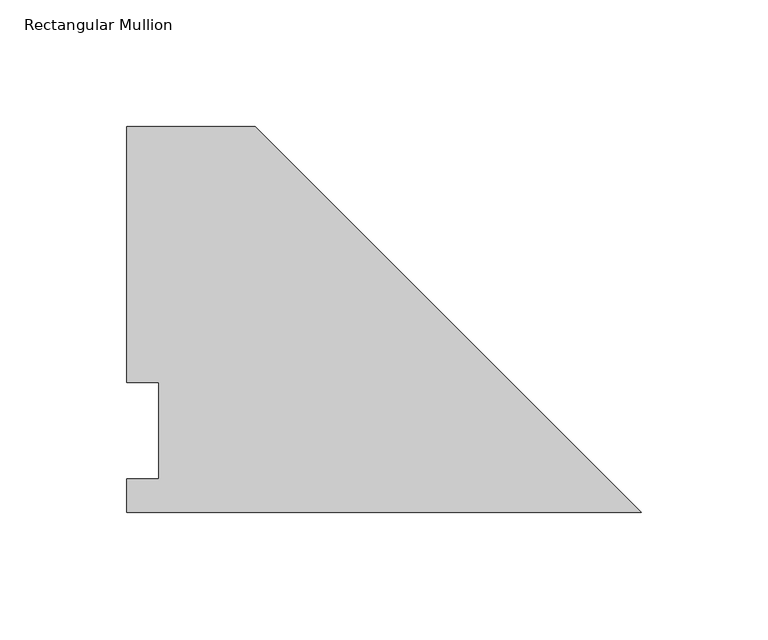
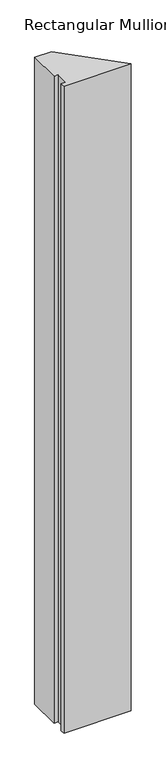
"""IFC4 building model written with IfcOpenShell, lengths in millimetres: member geometry, Rectangular Mullion."""

from ifc_helpers import new_model, si_unit, frame, origin, place, context, project, spatial, polyline, outline, extrude, source, transform, mapped, element, save


def rectangular_mullion_844da563(model_context):
    return source(origin(), model_context, "Body", "SweptSolid", [
        extrude(outline(polyline([(-203.2853182, 0.0134937), (-203.2853182, 13.1960938), (-190.5853182, 13.1960938), (-190.5853182, 51.2960937), (-203.2853182, 51.2960937), (-203.2853182, 152.4988119), (-152.4853182, 152.4988119), (0.0, 0.0134937), (-203.2853182, 0.0134937)])), frame((0.0, 0.0, -2070.1), z_axis=(0.0, 0.0, 1.0), x_axis=(1.0, 0.0, 0.0)), (0.0, 0.0, 1.0), 2070.1),
    ])


if __name__ == "__main__":
    model = new_model("IFC4")
    model_context = context("Model", 3, world=origin())
    ifc_project = project(units=[si_unit("LENGTHUNIT", "METRE", prefix="MILLI")], contexts=[model_context])
    site = spatial("IfcSite", under=ifc_project)
    building = spatial("IfcBuilding", under=site)
    placement = place(None, origin())
    rectangular_mullion_shape = rectangular_mullion_844da563(model_context)
    element("IfcMember", 1, ObjectType="Rectangular Mullion", at=placement, inside=building, context=model_context, shape_type="MappedRepresentation", body=[
        mapped(rectangular_mullion_shape, transform((0.0, 0.0, 0.0), x_axis=(1.0, 0.0, 0.0), y_axis=(0.0, 1.0, 0.0), z_axis=(0.0, 0.0, 1.0))),
    ])
    save(model, "model.ifc")
